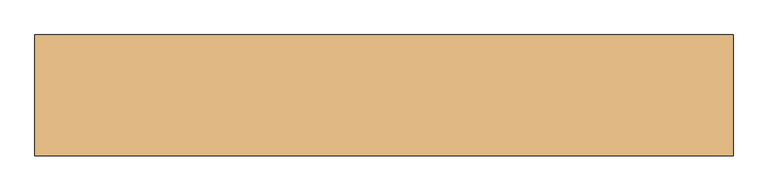
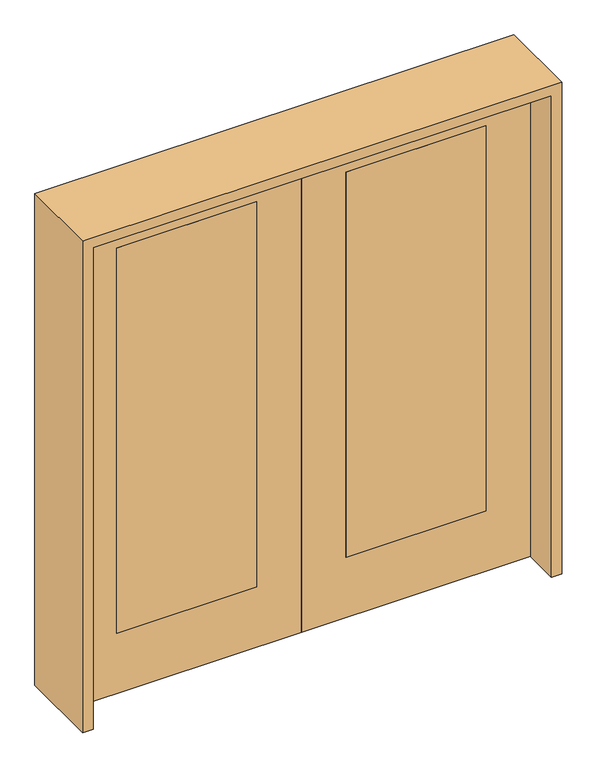
"""IFC4 building model written with IfcOpenShell, lengths in millimetres: door geometry."""

from ifc_helpers import new_model, si_unit, frame, origin, place, context, project, spatial, polyline, outline, extrude, source, transform, mapped, element, save


def door_218b2ae5(model_context):
    return source(origin(), model_context, "Body", "SweptSolid", [
        extrude(outline(polyline([(2032.0, -914.4), (0.0, -914.4), (0.0, 0.0), (2032.0, 0.0), (2032.0, -914.4)]), holes=[polyline([(254.0, -736.6), (1879.6, -736.6), (1879.6, -177.8), (254.0, -177.8), (254.0, -736.6)])]), frame((0.0, -20.701, 0.0), z_axis=(0.0, 1.0, 0.0), x_axis=(0.0, 0.0, 1.0)), (0.0, 0.0, 1.0), 41.402),
        extrude(outline(polyline([(-736.6, -20.701), (-736.6, 20.701), (-177.8, 20.701), (-177.8, -20.701), (-736.6, -20.701)])), frame((0.0, 0.0, 254.0), z_axis=(0.0, 0.0, 1.0), x_axis=(1.0, 0.0, 0.0)), (0.0, 0.0, 1.0), 1625.6),
        extrude(outline(polyline([(2032.0, 914.4), (2032.0, 0.0), (0.0, 0.0), (0.0, 914.4), (2032.0, 914.4)]), holes=[polyline([(254.0, 736.6), (254.0, 177.8), (1879.6, 177.8), (1879.6, 736.6), (254.0, 736.6)])]), frame((0.0, -20.701, 0.0), z_axis=(0.0, 1.0, 0.0), x_axis=(0.0, 0.0, 1.0)), (0.0, 0.0, 1.0), 41.402),
        extrude(outline(polyline([(736.6, -20.701), (177.8, -20.701), (177.8, 20.701), (736.6, 20.701), (736.6, -20.701)])), frame((0.0, 0.0, 254.0), z_axis=(0.0, 0.0, 1.0), x_axis=(1.0, 0.0, 0.0)), (0.0, 0.0, 1.0), 1625.6),
        extrude(outline(polyline([(2073.275, -955.675), (0.0, -955.675), (0.0, -914.4), (2032.0, -914.4), (2032.0, 914.4), (0.0, 914.4), (0.0, 955.675), (2073.275, 955.675), (2073.275, -955.675)])), frame((0.0, -165.1, 0.0), z_axis=(0.0, 1.0, 0.0), x_axis=(0.0, 0.0, 1.0)), (0.0, 0.0, 1.0), 330.2),
    ])


if __name__ == "__main__":
    model = new_model("IFC4")
    model_context = context("Model", 3, world=origin())
    ifc_project = project(units=[si_unit("LENGTHUNIT", "METRE", prefix="MILLI")], contexts=[model_context])
    site = spatial("IfcSite", under=ifc_project)
    building = spatial("IfcBuilding", under=site)
    placement = place(None, origin())
    door_shape = door_218b2ae5(model_context)
    element("IfcDoor", 1, at=placement, inside=building, context=model_context, shape_type="MappedRepresentation", body=[
        mapped(door_shape, transform((0.0, 0.0, 0.0), x_axis=(1.0, 0.0, 0.0), y_axis=(0.0, 1.0, 0.0), z_axis=(0.0, 0.0, 1.0))),
    ])
    save(model, "model.ifc")
